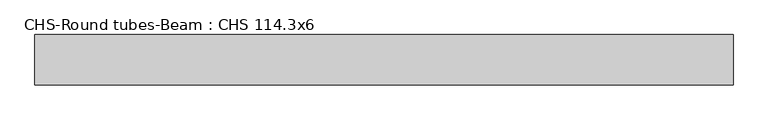
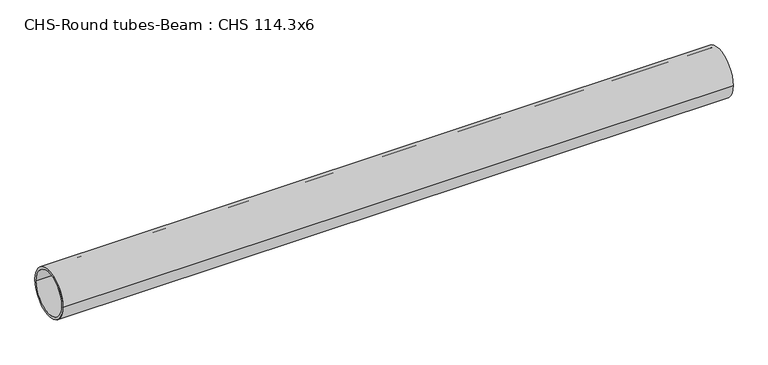
"""IFC4 building model written with IfcOpenShell, lengths in millimetres: beam geometry, CHS-Round tubes-Beam : CHS 114.3x6."""

from ifc_helpers import new_model, si_unit, point, frame, origin, origin_2d, place, context, project, spatial, circle_curve, trimmed, segment, composite_curve, outline, extrude, source, transform, mapped, element, save


def chs_round_tubes_beam_chs_114_3x6_f2ffe39c(model_context):
    return source(origin(), model_context, "Body", "SweptSolid", [
        extrude(outline(composite_curve([segment(trimmed(circle_curve(origin_2d(), 57.15), [point((57.15, 0.0))], [point((-57.15, 0.0))], False, "CARTESIAN"), True, "CONTINUOUS"), segment(trimmed(circle_curve(origin_2d(), 57.15), [point((-57.15, 0.0))], [point((57.15, 0.0))], False, "CARTESIAN"), True, "CONTINUOUS")], self_intersect=False), holes=[composite_curve([segment(trimmed(circle_curve(origin_2d(), 51.15), [point((51.15, 0.0))], [point((-51.15, 0.0))], True, "CARTESIAN"), True, "CONTINUOUS"), segment(trimmed(circle_curve(origin_2d(), 51.15), [point((-51.15, 0.0))], [point((51.15, 0.0))], True, "CARTESIAN"), True, "CONTINUOUS")], self_intersect=False)]), frame((-785.5354568, 0.0, 0.0), z_axis=(1.0, 0.0, 0.0), x_axis=(0.0, 1.0, 0.0)), (0.0, 0.0, 1.0), 1582.9674608),
    ])


if __name__ == "__main__":
    model = new_model("IFC4")
    model_context = context("Model", 3, world=origin())
    ifc_project = project(units=[si_unit("LENGTHUNIT", "METRE", prefix="MILLI")], contexts=[model_context])
    site = spatial("IfcSite", under=ifc_project)
    building = spatial("IfcBuilding", under=site)
    placement = place(None, origin())
    chs_round_tubes_beam_chs_114_3x6_shape = chs_round_tubes_beam_chs_114_3x6_f2ffe39c(model_context)
    element("IfcBeam", 1, ObjectType="CHS-Round tubes-Beam : CHS 114.3x6", at=placement, inside=building, context=model_context, shape_type="MappedRepresentation", body=[
        mapped(chs_round_tubes_beam_chs_114_3x6_shape, transform((0.0, 0.0, 0.0), x_axis=(1.0, 0.0, 0.0), y_axis=(0.0, 1.0, 0.0), z_axis=(0.0, 0.0, 1.0))),
    ])
    save(model, "model.ifc")
